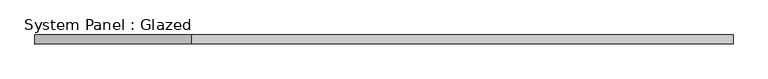
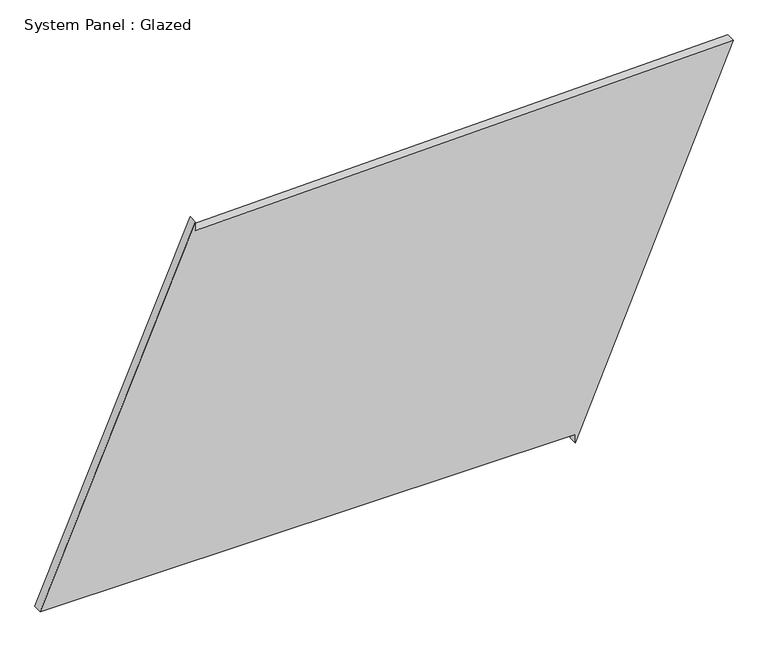
"""IFC4 building model written with IfcOpenShell, lengths in millimetres: plate geometry, System Panel : Glazed."""

from ifc_helpers import new_model, si_unit, frame, origin, place, context, project, spatial, polyline, outline, extrude, source, transform, mapped, element, save


def system_panel_glazed_8eb92255(model_context):
    return source(origin(), model_context, "Body", "SweptSolid", [
        extrude(outline(polyline([(25.0, 526.4457808), (0.0, 526.4457808), (1034.0373103, 965.6302729), (997.4783763, -532.8120435), (1022.4709389, -533.421811), (25.0, -965.6302729), (25.0, 526.4457808)])), frame((0.0, -49.5, 0.0), z_axis=(0.0, 1.0, 0.0), x_axis=(0.0, 0.0, 1.0)), (0.0, 0.0, 1.0), 25.0),
    ])


if __name__ == "__main__":
    model = new_model("IFC4")
    model_context = context("Model", 3, world=origin())
    ifc_project = project(units=[si_unit("LENGTHUNIT", "METRE", prefix="MILLI")], contexts=[model_context])
    site = spatial("IfcSite", under=ifc_project)
    building = spatial("IfcBuilding", under=site)
    placement = place(None, origin())
    system_panel_glazed_shape = system_panel_glazed_8eb92255(model_context)
    element("IfcPlate", 1, ObjectType="System Panel : Glazed", at=placement, inside=building, context=model_context, shape_type="MappedRepresentation", body=[
        mapped(system_panel_glazed_shape, transform((0.0, 0.0, 0.0), x_axis=(1.0, 0.0, 0.0), y_axis=(0.0, 1.0, 0.0), z_axis=(0.0, 0.0, 1.0))),
    ])
    save(model, "model.ifc")
